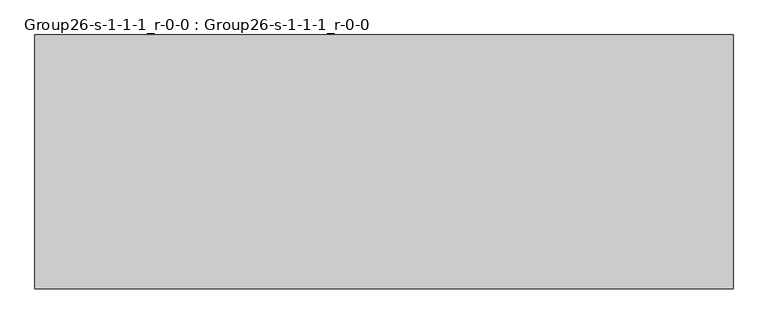
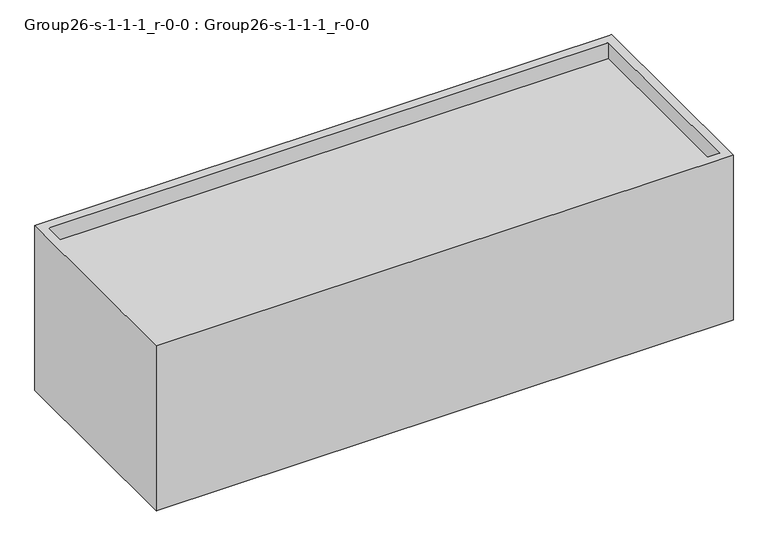
"""IFC4 building model written with IfcOpenShell, lengths in millimetres: geographic element geometry, Group26-s-1-1-1_r-0-0 : Group26-s-1-1-1_r-0-0."""

from ifc_helpers import new_model, si_unit, origin, place, context, project, spatial, triangles, source, transform, mapped, element, save


def group26_s_1_1_1_r_0_0_group26_s_1_1_1_r_0_0_bf719402(model_context):
    return source(origin(), model_context, "Body", "Tessellation", [
        triangles([(16976.7253876, 7585.0748062, 0.0), (16976.7253876, 0.0, 6296.025), (16976.7253876, 0.0, 0.0), (16976.7253876, 7585.0748062, 6296.025), (16671.9253876, 7280.2748062, 6296.025), (16671.9253876, 304.8, 5686.425), (16671.9253876, 304.8, 6296.025), (16671.9253876, 7280.2748062, 5686.425), (-3563.9658897, 7280.2748062, 5686.425), (-3563.9658897, 7280.2748062, 6296.025), (-3868.7658897, 0.0, 0.0), (-3868.7658897, 0.0, 6296.025), (-3868.7658897, 7585.0748062, 6296.025), (-3868.7658897, 7585.0748062, 0.0), (-3563.9658897, 304.8, 6296.025), (-3563.9658897, 304.8, 5686.425)], [[1, 2, 3], [2, 1, 4], [5, 6, 7], [6, 5, 8], [5, 9, 8], [9, 5, 10], [2, 11, 3], [11, 2, 12], [13, 1, 14], [1, 13, 4], [1, 11, 14], [11, 1, 3], [12, 15, 13], [15, 12, 2], [15, 2, 7], [7, 2, 5], [13, 10, 4], [10, 13, 15], [4, 10, 5], [4, 5, 2], [9, 15, 16], [15, 9, 10], [15, 6, 16], [6, 15, 7], [6, 9, 16], [9, 6, 8], [13, 11, 12], [11, 13, 14]]),
    ])


if __name__ == "__main__":
    model = new_model("IFC4")
    model_context = context("Model", 3, world=origin())
    ifc_project = project(units=[si_unit("LENGTHUNIT", "METRE", prefix="MILLI")], contexts=[model_context])
    site = spatial("IfcSite", under=ifc_project)
    building = spatial("IfcBuilding", under=site)
    placement = place(None, origin())
    group26_s_1_1_1_r_0_0_group26_s_1_1_1_r_0_0_shape = group26_s_1_1_1_r_0_0_group26_s_1_1_1_r_0_0_bf719402(model_context)
    element("IfcGeographicElement", 1, ObjectType="Group26-s-1-1-1_r-0-0 : Group26-s-1-1-1_r-0-0", at=placement, inside=building, context=model_context, shape_type="MappedRepresentation", body=[
        mapped(group26_s_1_1_1_r_0_0_group26_s_1_1_1_r_0_0_shape, transform((0.0, 0.0, 0.0), x_axis=(1.0, 0.0, 0.0), y_axis=(0.0, 1.0, 0.0), z_axis=(0.0, 0.0, 1.0))),
    ])
    save(model, "model.ifc")
